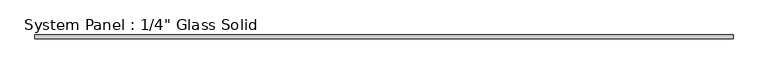
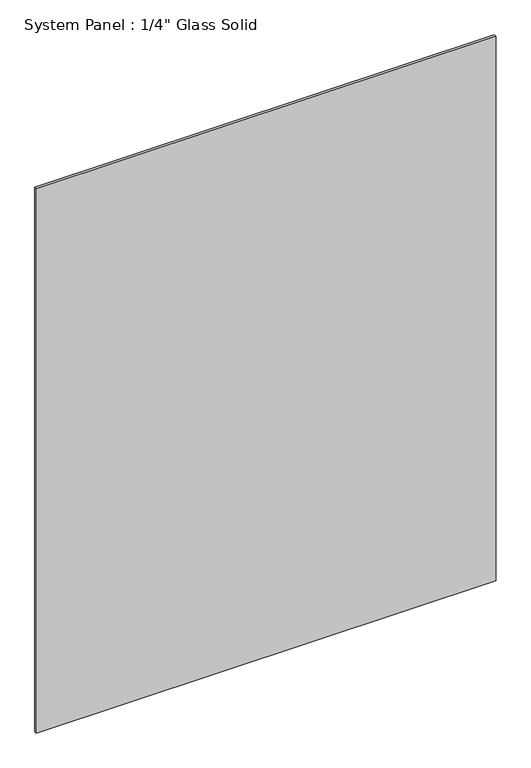
"""IFC4 building model written with IfcOpenShell, lengths in millimetres: plate geometry."""

from ifc_helpers import new_model, si_unit, origin, origin_with_axes, place, context, project, spatial, polyline, outline, extrude, source, transform, mapped, element, save


def plate_7f9a9386(model_context):
    return source(origin(), model_context, "Body", "SweptSolid", [
        extrude(outline(polyline([(565.7305865, -3.175), (-565.7305865, -3.175), (-565.7305865, 3.175), (565.7305865, 3.175), (565.7305865, -3.175)])), origin_with_axes(), (0.0, 0.0, 1.0), 1416.7991382),
    ])


if __name__ == "__main__":
    model = new_model("IFC4")
    model_context = context("Model", 3, world=origin())
    ifc_project = project(units=[si_unit("LENGTHUNIT", "METRE", prefix="MILLI")], contexts=[model_context])
    site = spatial("IfcSite", under=ifc_project)
    building = spatial("IfcBuilding", under=site)
    placement = place(None, origin())
    plate_shape = plate_7f9a9386(model_context)
    element("IfcPlate", 1, ObjectType="System Panel : 1/4\" Glass Solid", at=placement, inside=building, context=model_context, shape_type="MappedRepresentation", body=[
        mapped(plate_shape, transform((0.0, 0.0, 0.0), x_axis=(1.0, 0.0, 0.0), y_axis=(0.0, 1.0, 0.0), z_axis=(0.0, 0.0, 1.0))),
    ])
    save(model, "model.ifc")
